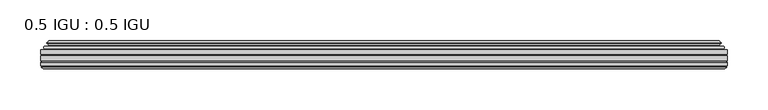
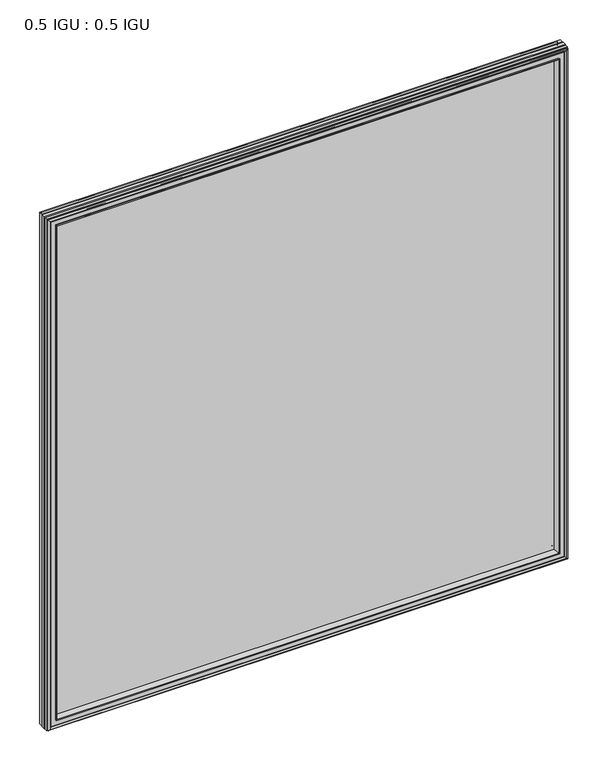
"""IFC4 building model written with IfcOpenShell, lengths in millimetres: plate geometry, 0.5 IGU : 0.5 IGU."""

import ifcopenshell
import ifcopenshell.guid

model = None  # the IFC model being written
_history = None  # IfcOwnerHistory: only IFC2X3 demands one
_inside = {}  # id of a spatial element -> (the spatial element, [elements in it])
_under = {}  # id of a project, library or spatial element -> (it, [spatial elements below it])
_declared = {}  # id of a project -> (the project, [libraries it declares])
_typed = {}  # id of a type object -> (the type object, [elements of that type])
_made_of = {}  # id of a material, layer set ... -> (it, [elements and type objects made of it])


def new_model(schema):
    """Start an empty IFC model of exactly this schema.

    Asked for "IFC4X3", IfcOpenShell would pick the latest addendum, in which some entities
    have other attributes; the version numbers below select the first issue.
    IFC2X3 requires an IfcOwnerHistory on every rooted entity: one is made here for all.
    """
    global model, _history
    if schema == "IFC4X3":
        model = ifcopenshell.file(schema_version=(4, 3, 0, 0))
    else:
        model = ifcopenshell.file(schema=schema)
    _inside.clear()
    _under.clear()
    _declared.clear()
    _typed.clear()
    _made_of.clear()
    _history = None
    if model.schema == "IFC2X3":
        org = make("IfcOrganization", Name="unknown")
        user = make(
            "IfcPersonAndOrganization",
            ThePerson=make("IfcPerson", FamilyName="unknown"),
            TheOrganization=org,
        )
        app = make(
            "IfcApplication",
            ApplicationDeveloper=org,
            Version="unknown",
            ApplicationFullName="unknown",
            ApplicationIdentifier="unknown",
        )
        _history = make(
            "IfcOwnerHistory",
            OwningUser=user,
            OwningApplication=app,
            ChangeAction="ADDED",
            CreationDate=0,
        )
    return model


def make(cls, **values):
    """One entity of the class cls with the attributes given. An attribute that is None is left unset."""
    return model.create_entity(
        cls, **{name: value for name, value in values.items() if value is not None}
    )


def rooted(cls, **values):
    """An entity with a GlobalId (a new one), such as an element, a storey or a relation."""
    return make(cls, GlobalId=ifcopenshell.guid.new(), OwnerHistory=_history, **values)


def si_unit(unit_type, name, prefix=None):
    """IfcSIUnit, for example si_unit("LENGTHUNIT", "METRE", prefix="MILLI")."""
    return make("IfcSIUnit", UnitType=unit_type, Prefix=prefix, Name=name)


def assignment(units):
    """IfcUnitAssignment: the units of a project."""
    return None if units is None else make("IfcUnitAssignment", Units=units)


def point(xyz):
    """IfcCartesianPoint."""
    return None if xyz is None else make("IfcCartesianPoint", Coordinates=xyz)


def direction(xyz):
    """IfcDirection."""
    return None if xyz is None else make("IfcDirection", DirectionRatios=xyz)


def frame(location, z_axis=None, x_axis=None):
    """IfcAxis2Placement3D, a coordinate frame: its origin and axes. An axis left out is left unset."""
    return make(
        "IfcAxis2Placement3D",
        Location=point(location),
        Axis=direction(z_axis),
        RefDirection=direction(x_axis),
    )


def origin():
    """The frame at (0, 0, 0) with its axes left unset."""
    return frame((0.0, 0.0, 0.0))


def place(relative_to, where):
    """IfcLocalPlacement: puts the frame where relative to a parent placement (None: the world)."""
    return make(
        "IfcLocalPlacement", PlacementRelTo=relative_to, RelativePlacement=where
    )


def context(
    kind, dimensions, precision=None, world=None, true_north=None, identifier=None
):
    """IfcGeometricRepresentationContext, for example the 3D "Model" context."""
    return make(
        "IfcGeometricRepresentationContext",
        ContextIdentifier=identifier,
        ContextType=kind,
        CoordinateSpaceDimension=dimensions,
        Precision=precision,
        WorldCoordinateSystem=world,
        TrueNorth=true_north,
    )


def project(units=None, contexts=None):
    """IfcProject with its units and contexts."""
    return rooted(
        "IfcProject",
        Name="project",
        RepresentationContexts=contexts,
        UnitsInContext=assignment(units),
    )


def spatial(cls, under=None, at=None, **own):
    """A site, building, storey or space (cls), placed at a placement, below another one or the project."""
    s = rooted(cls, ObjectPlacement=at, **own)
    if under is not None:
        _under.setdefault(under.id(), (under, []))[1].append(s)
    return s


def polyline(points):
    """IfcPolyline through the points."""
    return make("IfcPolyline", Points=[point(p) for p in points])


def ellipse_curve(where, semi_axis1, semi_axis2):
    """IfcEllipse in the frame where."""
    return make(
        "IfcEllipse", Position=where, SemiAxis1=semi_axis1, SemiAxis2=semi_axis2
    )


def outline(outer, holes=None, kind="AREA"):
    """IfcArbitraryClosedProfileDef: a profile drawn as a closed curve; with holes, ...WithVoids."""
    if holes is None:
        return make("IfcArbitraryClosedProfileDef", ProfileType=kind, OuterCurve=outer)
    return make(
        "IfcArbitraryProfileDefWithVoids",
        ProfileType=kind,
        OuterCurve=outer,
        InnerCurves=holes,
    )


def extrude(swept, where, along, depth):
    """IfcExtrudedAreaSolid: the profile swept, set in the frame where, extruded along a direction by depth."""
    return make(
        "IfcExtrudedAreaSolid",
        SweptArea=swept,
        Position=where,
        ExtrudedDirection=direction(along),
        Depth=depth,
    )


def faces_of(points, faces, orient=None, outer=None):
    """IfcFace entities. A face is a list of loops; a loop is a list of indices into points, from 0.

    orient and outer hold one flag for each loop. By default every Orientation is true, the
    first loop of a face is its IfcFaceOuterBound and the others are IfcFaceBound.
    """
    made = []
    for i, loops in enumerate(faces):
        bounds = []
        for j, loop in enumerate(loops):
            is_outer = j == 0 if outer is None else outer[i][j]
            bounds.append(
                make(
                    "IfcFaceOuterBound" if is_outer else "IfcFaceBound",
                    Bound=make("IfcPolyLoop", Polygon=[points[k] for k in loop]),
                    Orientation=True if orient is None else orient[i][j],
                )
            )
        made.append(make("IfcFace", Bounds=bounds))
    return made


def faceted_brep(points, faces, orient=None, outer=None, voids=None):
    """IfcFacetedBrep: a solid bounded by flat faces; with voids (closed shells), ...WithVoids."""
    shared = [point(p) for p in points]
    hull = make("IfcClosedShell", CfsFaces=faces_of(shared, faces, orient, outer))
    if voids is None:
        return make("IfcFacetedBrep", Outer=hull)
    return make(
        "IfcFacetedBrepWithVoids",
        Outer=hull,
        Voids=[
            make(cls, CfsFaces=faces_of(shared, fs, o, b)) for cls, fs, o, b in voids
        ],
    )


def shape(context_of_items, identifier, shape_type, items):
    """IfcShapeRepresentation: the items that make up one representation, for example the "Body"."""
    return make(
        "IfcShapeRepresentation",
        ContextOfItems=context_of_items,
        RepresentationIdentifier=identifier,
        RepresentationType=shape_type,
        Items=items,
    )


def source(mapping_origin, context_of_items, identifier, shape_type, items):
    """IfcRepresentationMap: a shape defined once, which mapped items show again and again."""
    return make(
        "IfcRepresentationMap",
        MappingOrigin=mapping_origin,
        MappedRepresentation=shape(context_of_items, identifier, shape_type, items),
    )


def transform(
    local_origin,
    x_axis=None,
    y_axis=None,
    z_axis=None,
    scale=None,
    scale2=None,
    scale3=None,
    uniform=True,
):
    """IfcCartesianTransformationOperator3D, or its non-uniform kind. x_axis, y_axis, z_axis: its Axis1, 2, 3."""
    if uniform:
        return make(
            "IfcCartesianTransformationOperator3D",
            Axis1=direction(x_axis),
            Axis2=direction(y_axis),
            LocalOrigin=point(local_origin),
            Scale=scale,
            Axis3=direction(z_axis),
        )
    return make(
        "IfcCartesianTransformationOperator3DnonUniform",
        Axis1=direction(x_axis),
        Axis2=direction(y_axis),
        LocalOrigin=point(local_origin),
        Scale=scale,
        Axis3=direction(z_axis),
        Scale2=scale2,
        Scale3=scale3,
    )


def mapped(mapping_source, mapping_target):
    """IfcMappedItem: shows the shape of a source again, moved by a transform."""
    return make(
        "IfcMappedItem", MappingSource=mapping_source, MappingTarget=mapping_target
    )


def made_of(thing, what):
    """Note that an element or type object is made of a material, layer set ...; save() writes the relation."""
    if what is not None:
        _made_of.setdefault(what.id(), (what, []))[1].append(thing)
    return thing


def element(
    cls,
    number,
    at=None,
    inside=None,
    cuts=None,
    type_object=None,
    material=None,
    context=None,
    identifier="Body",
    shape_type=None,
    held_by="IfcProductDefinitionShape",
    body=None,
    shapes=None,
    **own,
):
    """One element of the class cls, such as IfcWall. Its Tag is "e" and its number.

    at: its placement. inside: the storey or other place that contains it. cuts: it is an
    opening in that element (IfcRelVoidsElement). A single representation is given by context,
    identifier, shape_type and body (its items); several are given by shapes. held_by: the class
    of the entity that holds the representations. save() writes the other relations.
    """
    e = rooted(cls, Tag="e%d" % number, ObjectPlacement=at, **own)
    if body is not None:
        shapes = [shape(context, identifier, shape_type, body)]
    if shapes is not None:
        e.Representation = make(held_by, Representations=shapes)
    if inside is not None:
        _inside.setdefault(inside.id(), (inside, []))[1].append(e)
    if cuts is not None:
        rooted(
            "IfcRelVoidsElement", RelatingBuildingElement=cuts, RelatedOpeningElement=e
        )
    if type_object is not None:
        _typed.setdefault(type_object.id(), (type_object, []))[1].append(e)
    return made_of(e, material)


def aggregate(whole, parts):
    """IfcRelAggregates: a whole, such as a stair, and the parts it consists of."""
    return rooted("IfcRelAggregates", RelatingObject=whole, RelatedObjects=parts)


def save(model, path):
    """Write the relations noted so far, then the file.

    IfcRelAggregates (storeys below a building ...), IfcRelContainedInSpatialStructure (elements
    in a storey), IfcRelDefinesByType, IfcRelAssociatesMaterial and IfcRelDeclares: one each for
    every whole, place, type object, material and project.
    """
    for whole, parts in _under.values():
        aggregate(whole, parts)
    for where, things in _inside.values():
        rooted(
            "IfcRelContainedInSpatialStructure",
            RelatedElements=things,
            RelatingStructure=where,
        )
    for kind, things in _typed.values():
        rooted("IfcRelDefinesByType", RelatedObjects=things, RelatingType=kind)
    for what, things in _made_of.values():
        rooted("IfcRelAssociatesMaterial", RelatedObjects=things, RelatingMaterial=what)
    for by, libraries in _declared.values():
        rooted("IfcRelDeclares", RelatingContext=by, RelatedDefinitions=libraries)
    model.write(path)


def plane_surface(at):
    """IfcPlane: the flat surface through the origin of the frame at, square to its z axis."""
    return make("IfcPlane", Position=at)


def cylinder_surface(at, radius):
    """IfcCylindricalSurface: all points at the distance radius from the z axis of the frame at."""
    return make("IfcCylindricalSurface", Position=at, Radius=radius)


def revolved_surface(curve, axis_point, axis_direction):
    """IfcSurfaceOfRevolution: the curve turned about the line through axis_point along axis_direction."""
    return make(
        "IfcSurfaceOfRevolution",
        SweptCurve=make("IfcArbitraryOpenProfileDef", ProfileType="CURVE", Curve=curve),
        AxisPosition=make("IfcAxis1Placement", Location=point(axis_point), Axis=direction(axis_direction)),
    )


def advanced_brep(points, edges, surfaces, faces):
    """IfcAdvancedBrep: a solid bounded by faces that lie on surfaces and meet in shared edges.

    An edge is (start, end): straight between two places in points (the first is 0);
    or (start, end, curve); or (start, end, curve, False) where it runs against its curve.
    A face is (place in surfaces, loops), or (place, loops, False) where it looks against
    its surface's normal. A loop lists edges by number (the first is 1), with a minus sign
    where the edge is run from its end to its start. The first loop is the outer one.
    """
    corners = [point(p) for p in points]
    vertices = [make("IfcVertexPoint", VertexGeometry=c) for c in corners]
    made = []
    for start, end, *more in edges:
        made.append(
            make(
                "IfcEdgeCurve",
                EdgeStart=vertices[start],
                EdgeEnd=vertices[end],
                EdgeGeometry=more[0] if more else make("IfcPolyline", Points=[corners[start], corners[end]]),
                SameSense=more[1] if len(more) > 1 else True,
            )
        )
    hull = []
    for where, loops, *sense in faces:
        bounds = []
        for j, loop in enumerate(loops):
            ring = [make("IfcOrientedEdge", EdgeElement=made[abs(k) - 1], Orientation=k > 0) for k in loop]
            bounds.append(
                make(
                    "IfcFaceOuterBound" if j == 0 else "IfcFaceBound",
                    Bound=make("IfcEdgeLoop", EdgeList=ring),
                    Orientation=True,
                )
            )
        hull.append(make("IfcAdvancedFace", Bounds=bounds, FaceSurface=surfaces[where], SameSense=sense[0] if sense else True))
    return make("IfcAdvancedBrep", Outer=make("IfcClosedShell", CfsFaces=hull))


def plate_0_5_igu_0_5_igu_c5b5d596(model_context):
    return source(origin(), model_context, "Body", "SolidModel", [
        extrude(outline(polyline([(420.701675, -55.82285), (420.701675, -61.48705), (-420.6875, -61.48705), (-420.6875, -55.82285), (420.701675, -55.82285)])), frame((0.0, 0.0, -14.2875), z_axis=(0.0, 0.0, 1.0), x_axis=(1.0, 0.0, 0.0)), (0.0, 0.0, 1.0), 873.1287979),
        extrude(outline(polyline([(-420.6875, -69.05625), (-420.6875, -63.39205), (420.701675, -63.39205), (420.701675, -69.05625), (-420.6875, -69.05625)])), frame((0.0, 0.0, -14.2875), z_axis=(0.0, 0.0, 1.0), x_axis=(1.0, 0.0, 0.0)), (0.0, 0.0, 1.0), 873.1287979),
        advanced_brep(
        [(-416.5849626, -54.3724927, 854.7349626), (-415.5404378, -51.60645, 853.6904378), (-415.5404378, -51.60645, -9.1404378), (-416.5849626, -54.3724927, -10.1849626), (-414.948517, -55.82285, 853.098517), (-414.948517, -55.82285, -8.548517), (-406.4, -45.63745, 844.55), (-402.8172761, -55.82285, 840.9672761), (-402.8172761, -55.82285, 3.5827239), (-406.4, -45.63745, 0.0), (-411.5859109, -46.8185491, 849.7359109), (-411.5859109, -46.8185491, -5.1859109), (-410.7888893, -44.8183085, 848.9388893), (-410.7888893, -44.8183085, -4.3888893), (-413.0726111, -47.135817, 851.2226111), (-413.0726111, -47.135817, -6.6726111), (-413.0726111, -47.8489429, 851.2226111), (-413.0726111, -47.8489429, -6.6726111), (-410.7888893, -50.1664515, 848.9388893), (-410.7888893, -50.1664515, -4.3888893), (-411.5782501, -48.1854367, 849.7282501), (-411.5782501, -48.1854367, -5.1782501), (-409.0544379, -48.027045, 847.2044379), (-409.0544379, -48.027045, -2.6544379), (-408.0286217, -48.7147544, 846.1786217), (-408.0286217, -48.7147544, -1.6286217), (-408.1470288, -50.1092231, 846.2970288), (-408.1470288, -50.1092231, -1.7470288), (-408.7487748, -51.60645, 846.8987748), (-408.7487748, -51.60645, -2.3487748), (415.5404378, -51.60645, -9.1404378), (416.5849626, -54.3724927, -10.1849626), (414.948517, -55.82285, -8.548517), (402.8172761, -55.82285, 3.5827239), (406.4, -45.63745, 0.0), (411.5859109, -46.8185491, -5.1859109), (410.7888893, -44.8183085, -4.3888893), (413.0726111, -47.135817, -6.6726111), (413.0726111, -47.8489429, -6.6726111), (410.7888893, -50.1664515, -4.3888893), (411.5782501, -48.1854367, -5.1782501), (409.0544379, -48.027045, -2.6544379), (408.0286217, -48.7147544, -1.6286217), (408.1470288, -50.1092231, -1.7470288), (408.7487748, -51.60645, -2.3487748), (415.5404378, -51.60645, 853.6904378), (416.5849626, -54.3724927, 854.7349626), (414.948517, -55.82285, 853.098517), (402.8172761, -55.82285, 840.9672761), (406.4, -45.63745, 844.55), (411.5859109, -46.8185491, 849.7359109), (410.7888893, -44.8183085, 848.9388893), (413.0726111, -47.135817, 851.2226111), (413.0726111, -47.8489429, 851.2226111), (410.7888893, -50.1664515, 848.9388893), (411.5782501, -48.1854367, 849.7282501), (409.0544379, -48.027045, 847.2044379), (408.0286217, -48.7147544, 846.1786217), (408.1470288, -50.1092231, 846.2970288), (408.7487748, -51.60645, 846.8987748)],
        [
            (0, 1, ellipse_curve(frame((-415.5320703, -53.1898501, 853.6820703), z_axis=(-0.7071067811865475, 0.0, -0.7071067811865475), x_axis=(-0.7071067811865474, 0.0, 0.7071067811865476)), 2.2392971, 1.5834222)),
            (1, 2),
            (2, 3, ellipse_curve(frame((-415.5320703, -53.1898501, -9.1320703), z_axis=(-0.7071067811865475, 0.0, 0.7071067811865475), x_axis=(0.7071067811865474, 0.0, 0.7071067811865476)), 2.2392971, 1.5834222)),
            (3, 0),
            (4, 0),
            (3, 5),
            (5, 4),
            (6, 7, ellipse_curve(frame((-374.120246, -40.0058297, 812.270246), z_axis=(0.7071067811865475, 0.0, 0.7071067811865475), x_axis=(0.7071067811865474, 0.0, -0.7071067811865476)), 46.3399971, 32.7673262)),
            (7, 8),
            (8, 9, ellipse_curve(frame((-374.120246, -40.0058297, 32.279754), z_axis=(0.7071067811865475, 0.0, -0.7071067811865475), x_axis=(-0.7071067811865474, 0.0, -0.7071067811865476)), 46.3399971, 32.7673262)),
            (9, 6),
            (10, 6),
            (9, 11),
            (11, 10),
            (12, 10),
            (11, 13),
            (13, 12),
            (14, 12),
            (13, 15),
            (15, 14),
            (16, 14, ellipse_curve(frame((-412.7107729, -47.49238, 850.8607729), z_axis=(-0.7071067811865475, 0.0, -0.7071067811865475), x_axis=(-0.7071067811865474, 0.0, 0.7071067811865476)), 0.7184205, 0.508)),
            (15, 17, ellipse_curve(frame((-412.7107729, -47.49238, -6.3107729), z_axis=(-0.7071067811865475, 0.0, 0.7071067811865475), x_axis=(0.7071067811865474, 0.0, 0.7071067811865476)), 0.7184205, 0.508)),
            (17, 16),
            (18, 16),
            (17, 19),
            (19, 18),
            (20, 18),
            (19, 21),
            (21, 20),
            (22, 20),
            (21, 23),
            (23, 22),
            (24, 22, ellipse_curve(frame((-408.9908, -49.04105, 847.1408), z_axis=(0.7071067811865475, 0.0, 0.7071067811865475), x_axis=(0.7071067811865474, 0.0, -0.7071067811865476)), 1.436841, 1.016)),
            (23, 25, ellipse_curve(frame((-408.9908, -49.04105, -2.5908), z_axis=(0.7071067811865475, 0.0, -0.7071067811865475), x_axis=(-0.7071067811865474, 0.0, -0.7071067811865476)), 1.436841, 1.016)),
            (25, 24),
            (26, 24, ellipse_curve(frame((-410.3624, -49.21885, 848.5124), z_axis=(0.7071067811865475, 0.0, 0.7071067811865475), x_axis=(0.7071067811865474, 0.0, -0.7071067811865476)), 3.3765763, 2.3876)),
            (25, 27, ellipse_curve(frame((-410.3624, -49.21885, -3.9624), z_axis=(0.7071067811865475, 0.0, -0.7071067811865475), x_axis=(-0.7071067811865474, 0.0, -0.7071067811865476)), 3.3765763, 2.3876)),
            (27, 26),
            (28, 26),
            (27, 29),
            (29, 28),
            (2, 30),
            (30, 31, ellipse_curve(frame((415.5320703, -53.1898501, -9.1320703), z_axis=(-0.7071067811865475, 0.0, -0.7071067811865475), x_axis=(-0.7071067811865476, 0.0, 0.7071067811865474)), 2.2392971, 1.5834222)),
            (31, 3),
            (31, 32),
            (32, 5),
            (8, 33),
            (33, 34, ellipse_curve(frame((374.120246, -40.0058297, 32.279754), z_axis=(0.7071067811865475, 0.0, 0.7071067811865475), x_axis=(0.7071067811865476, 0.0, -0.7071067811865474)), 46.3399971, 32.7673262)),
            (34, 9),
            (34, 35),
            (35, 11),
            (35, 36),
            (36, 13),
            (36, 37),
            (37, 15),
            (37, 38, ellipse_curve(frame((412.7107729, -47.49238, -6.3107729), z_axis=(-0.7071067811865475, 0.0, -0.7071067811865475), x_axis=(-0.7071067811865476, 0.0, 0.7071067811865474)), 0.7184205, 0.508)),
            (38, 17),
            (38, 39),
            (39, 19),
            (39, 40),
            (40, 21),
            (40, 41),
            (41, 23),
            (41, 42, ellipse_curve(frame((408.9908, -49.04105, -2.5908), z_axis=(0.7071067811865475, 0.0, 0.7071067811865475), x_axis=(0.7071067811865476, 0.0, -0.7071067811865474)), 1.436841, 1.016)),
            (42, 25),
            (42, 43, ellipse_curve(frame((410.3624, -49.21885, -3.9624), z_axis=(0.7071067811865475, 0.0, 0.7071067811865475), x_axis=(0.7071067811865476, 0.0, -0.7071067811865474)), 3.3765763, 2.3876)),
            (43, 27),
            (43, 44),
            (44, 29),
            (30, 45),
            (45, 46, ellipse_curve(frame((415.5320703, -53.1898501, 853.6820703), z_axis=(0.7071067811865475, 0.0, -0.7071067811865475), x_axis=(-0.7071067811865474, 0.0, -0.7071067811865476)), 2.2392971, 1.5834222)),
            (46, 31),
            (46, 47),
            (47, 32),
            (33, 48),
            (48, 49, ellipse_curve(frame((374.120246, -40.0058297, 812.270246), z_axis=(-0.7071067811865475, 0.0, 0.7071067811865475), x_axis=(0.7071067811865474, 0.0, 0.7071067811865476)), 46.3399971, 32.7673262)),
            (49, 34),
            (49, 50),
            (50, 35),
            (50, 51),
            (51, 36),
            (51, 52),
            (52, 37),
            (52, 53, ellipse_curve(frame((412.7107729, -47.49238, 850.8607729), z_axis=(0.7071067811865475, 0.0, -0.7071067811865475), x_axis=(-0.7071067811865474, 0.0, -0.7071067811865476)), 0.7184205, 0.508)),
            (53, 38),
            (53, 54),
            (54, 39),
            (54, 55),
            (55, 40),
            (55, 56),
            (56, 41),
            (56, 57, ellipse_curve(frame((408.9908, -49.04105, 847.1408), z_axis=(-0.7071067811865475, 0.0, 0.7071067811865475), x_axis=(0.7071067811865474, 0.0, 0.7071067811865476)), 1.436841, 1.016)),
            (57, 42),
            (57, 58, ellipse_curve(frame((410.3624, -49.21885, 848.5124), z_axis=(-0.7071067811865475, 0.0, 0.7071067811865475), x_axis=(0.7071067811865474, 0.0, 0.7071067811865476)), 3.3765763, 2.3876)),
            (58, 43),
            (58, 59),
            (59, 44),
            (45, 1),
            (0, 46),
            (4, 47),
            (7, 48),
            (6, 49),
            (10, 50),
            (12, 51),
            (14, 52),
            (16, 53),
            (18, 54),
            (20, 55),
            (22, 56),
            (24, 57),
            (26, 58),
            (28, 59),
        ],
        [
            cylinder_surface(frame((-415.5320703, -53.1898501, 876.3), z_axis=(0.0, 0.0, 1.0), x_axis=(-1.0, 0.0, 0.0)), 1.5834222),
            plane_surface(frame((-416.5849626, -54.3724927, 854.7349626), z_axis=(-0.6632745773184306, -0.7483761320907135, 0.0), x_axis=(0.0, 0.0, -1.0))),
            revolved_surface(polyline([(-406.8875722, -40.0058297, -0.48757218957496207), (-406.8875722, -40.0058297, 845.037572189575)]), (-374.120246, -40.0058297, 876.3), (0.0, 0.0, -1.0)),
            plane_surface(frame((-406.4, -45.63745, 844.55), z_axis=(-0.2220649844278743, 0.975031867525902, 0.0), x_axis=(0.0, 0.0, -1.0))),
            plane_surface(frame((-411.5859109, -46.8185491, 849.7359109), z_axis=(0.928968268563027, -0.37015936568323066, 0.0), x_axis=(0.0, 0.0, -1.0))),
            plane_surface(frame((-410.7888893, -44.8183085, 848.9388893), z_axis=(-0.7122798501733482, 0.7018955869907096, 0.0), x_axis=(0.0, 0.0, -1.0))),
            cylinder_surface(frame((-412.7107729, -47.49238, 876.3), z_axis=(0.0, 0.0, 1.0), x_axis=(-1.0, 0.0, 0.0)), 0.508),
            plane_surface(frame((-413.0726111, -47.8489429, 851.2226111), z_axis=(-0.7122798501732925, -0.701895586990766, 0.0), x_axis=(0.0, 0.0, -1.0))),
            plane_surface(frame((-410.7888893, -50.1664515, 848.9388893), z_axis=(0.9289682685628707, 0.3701593656836228, 0.0), x_axis=(0.0, 0.0, -1.0))),
            plane_surface(frame((-411.5782501, -48.1854367, 849.7282501), z_axis=(0.0626357011928498, -0.9980364567169279, 0.0), x_axis=(0.0, 0.0, -1.0))),
            revolved_surface(polyline([(-410.0068, -49.04105, -3.606800014586838), (-410.0068, -49.04105, 848.1568000145869)]), (-408.9908, -49.04105, 876.3), (0.0, 0.0, -1.0)),
            revolved_surface(polyline([(-412.75, -49.21885, -6.3499999989237494), (-412.75, -49.21885, 850.8999999989237)]), (-410.3624, -49.21885, 876.3), (0.0, 0.0, -1.0)),
            plane_surface(frame((-408.1470288, -50.1092231, 846.2970288), z_axis=(-0.9278652925428184, 0.3729155385532094, 0.0), x_axis=(0.0, 0.0, -1.0))),
            cylinder_surface(frame((-438.15, -53.1898501, -9.1320703), z_axis=(-1.0, 0.0, 0.0), x_axis=(0.0, 0.0, -1.0)), 1.5834222),
            plane_surface(frame((-416.5849626, -54.3724927, -10.1849626), z_axis=(0.0, -0.7483761320907157, -0.6632745773184283), x_axis=(1.0, 0.0, 0.0))),
            revolved_surface(polyline([(406.88757218957505, -40.0058297, -0.48757220000000245), (-406.88757218957494, -40.0058297, -0.48757220000000245)]), (-438.15, -40.0058297, 32.279754), (1.0, 0.0, 0.0)),
            plane_surface(frame((-406.4, -45.63745, 0.0), z_axis=(0.0, 0.9750318675259013, -0.22206498442787745), x_axis=(1.0, 0.0, 0.0))),
            plane_surface(frame((-411.5859109, -46.8185491, -5.1859109), z_axis=(0.0, -0.37015936568322766, 0.9289682685630283), x_axis=(1.0, 0.0, 0.0))),
            plane_surface(frame((-410.7888893, -44.8183085, -4.3888893), z_axis=(0.0, 0.7018955869907073, -0.7122798501733504), x_axis=(1.0, 0.0, 0.0))),
            cylinder_surface(frame((-438.15, -47.49238, -6.3107729), z_axis=(-1.0, 0.0, 0.0), x_axis=(0.0, 0.0, -1.0)), 0.508),
            plane_surface(frame((-413.0726111, -47.8489429, -6.6726111), z_axis=(0.0, -0.7018955869907684, -0.7122798501732903), x_axis=(1.0, 0.0, 0.0))),
            plane_surface(frame((-410.7888893, -50.1664515, -4.3888893), z_axis=(0.0, 0.37015936568362584, 0.9289682685628696), x_axis=(1.0, 0.0, 0.0))),
            plane_surface(frame((-411.5782501, -48.1854367, -5.1782501), z_axis=(0.0, -0.9980364567169276, 0.06263570119285301), x_axis=(1.0, 0.0, 0.0))),
            revolved_surface(polyline([(410.0068000145868, -49.04105, -3.6068000000000002), (-410.0068000145868, -49.04105, -3.6068000000000002)]), (-438.15, -49.04105, -2.5908), (1.0, 0.0, 0.0)),
            revolved_surface(polyline([(412.7499999989237, -49.21885, -6.35), (-412.7499999989238, -49.21885, -6.35)]), (-438.15, -49.21885, -3.9624), (1.0, 0.0, 0.0)),
            plane_surface(frame((-408.1470288, -50.1092231, -1.7470288), z_axis=(0.0, 0.3729155385532064, -0.9278652925428196), x_axis=(1.0, 0.0, 0.0))),
            cylinder_surface(frame((415.5320703, -53.1898501, -31.75), z_axis=(0.0, 0.0, -1.0), x_axis=(1.0, 0.0, 0.0)), 1.5834222),
            plane_surface(frame((416.5849626, -54.3724927, -10.1849626), z_axis=(0.6632745773184259, -0.7483761320907178, 0.0), x_axis=(0.0, 0.0, 1.0))),
            revolved_surface(polyline([(406.8875722, -40.0058297, 845.037572189575), (406.8875722, -40.0058297, -0.48757218957494075)]), (374.120246, -40.0058297, -31.75), (0.0, 0.0, 1.0)),
            plane_surface(frame((406.4, -45.63745, 0.0), z_axis=(0.22206498442788056, 0.9750318675259005, 0.0), x_axis=(0.0, 0.0, 1.0))),
            plane_surface(frame((411.5859109, -46.8185491, -5.1859109), z_axis=(-0.9289682685630295, -0.37015936568322466, 0.0), x_axis=(0.0, 0.0, 1.0))),
            plane_surface(frame((410.7888893, -44.8183085, -4.3888893), z_axis=(0.7122798501733526, 0.701895586990705, 0.0), x_axis=(0.0, 0.0, 1.0))),
            cylinder_surface(frame((412.7107729, -47.49238, -31.75), z_axis=(0.0, 0.0, -1.0), x_axis=(1.0, 0.0, 0.0)), 0.508),
            plane_surface(frame((413.0726111, -47.8489429, -6.6726111), z_axis=(0.712279850173288, -0.7018955869907706, 0.0), x_axis=(0.0, 0.0, 1.0))),
            plane_surface(frame((410.7888893, -50.1664515, -4.3888893), z_axis=(-0.9289682685628684, 0.37015936568362884, 0.0), x_axis=(0.0, 0.0, 1.0))),
            plane_surface(frame((411.5782501, -48.1854367, -5.1782501), z_axis=(-0.06263570119285623, -0.9980364567169274, 0.0), x_axis=(0.0, 0.0, 1.0))),
            revolved_surface(polyline([(410.0068, -49.04105, 848.1568000145869), (410.0068, -49.04105, -3.606800014586863)]), (408.9908, -49.04105, -31.75), (0.0, 0.0, 1.0)),
            revolved_surface(polyline([(412.75, -49.21885, 850.8999999989237), (412.75, -49.21885, -6.349999998923781)]), (410.3624, -49.21885, -31.75), (0.0, 0.0, 1.0)),
            plane_surface(frame((408.1470288, -50.1092231, -1.7470288), z_axis=(0.9278652925428208, 0.3729155385532034, 0.0), x_axis=(0.0, 0.0, 1.0))),
            cylinder_surface(frame((438.15, -53.1898501, 853.6820703), z_axis=(1.0, 0.0, 0.0), x_axis=(0.0, 0.0, 1.0)), 1.5834222),
            plane_surface(frame((416.5849626, -54.3724927, 854.7349626), z_axis=(0.0, -0.7483761320907157, 0.6632745773184283), x_axis=(-1.0, 0.0, 0.0))),
            plane_surface(frame((414.948517, -55.82285, 853.098517), z_axis=(0.0, -1.0, 0.0), x_axis=(-1.0, 0.0, 0.0))),
            revolved_surface(polyline([(-406.88757218957505, -40.0058297, 845.0375722), (406.88757218957494, -40.0058297, 845.0375722)]), (438.15, -40.0058297, 812.270246), (-1.0, 0.0, 0.0)),
            plane_surface(frame((406.4, -45.63745, 844.55), z_axis=(0.0, 0.9750318675259012, 0.22206498442787742), x_axis=(-1.0, 0.0, 0.0))),
            plane_surface(frame((411.5859109, -46.8185491, 849.7359109), z_axis=(0.0, -0.37015936568322766, -0.9289682685630283), x_axis=(-1.0, 0.0, 0.0))),
            plane_surface(frame((410.7888893, -44.8183085, 848.9388893), z_axis=(0.0, 0.7018955869907073, 0.7122798501733504), x_axis=(-1.0, 0.0, 0.0))),
            cylinder_surface(frame((438.15, -47.49238, 850.8607729), z_axis=(1.0, 0.0, 0.0), x_axis=(0.0, 0.0, 1.0)), 0.508),
            plane_surface(frame((413.0726111, -47.8489429, 851.2226111), z_axis=(0.0, -0.7018955869907684, 0.7122798501732903), x_axis=(-1.0, 0.0, 0.0))),
            plane_surface(frame((410.7888893, -50.1664515, 848.9388893), z_axis=(0.0, 0.37015936568362584, -0.9289682685628696), x_axis=(-1.0, 0.0, 0.0))),
            plane_surface(frame((411.5782501, -48.1854367, 849.7282501), z_axis=(0.0, -0.9980364567169276, -0.06263570119285301), x_axis=(-1.0, 0.0, 0.0))),
            revolved_surface(polyline([(-410.0068000145868, -49.04105, 848.1568), (410.0068000145868, -49.04105, 848.1568)]), (438.15, -49.04105, 847.1408), (-1.0, 0.0, 0.0)),
            revolved_surface(polyline([(-412.7499999989237, -49.21885, 850.9), (412.7499999989238, -49.21885, 850.9)]), (438.15, -49.21885, 848.5124), (-1.0, 0.0, 0.0)),
            plane_surface(frame((408.1470288, -50.1092231, 846.2970288), z_axis=(0.0, 0.3729155385532064, 0.9278652925428196), x_axis=(-1.0, 0.0, 0.0))),
            plane_surface(frame((408.7487748, -51.60645, 846.8987748), z_axis=(0.0, 1.0, 0.0), x_axis=(-1.0, 0.0, 0.0))),
        ],
        [
            (0, [[1, 2, 3, 4]]),
            (1, [[5, -4, 6, 7]]),
            (2, [[8, 9, 10, 11]]),
            (3, [[12, -11, 13, 14]]),
            (4, [[15, -14, 16, 17]]),
            (5, [[18, -17, 19, 20]]),
            (6, [[21, -20, 22, 23]]),
            (7, [[24, -23, 25, 26]]),
            (8, [[27, -26, 28, 29]]),
            (9, [[30, -29, 31, 32]]),
            (10, [[33, -32, 34, 35]]),
            (11, [[36, -35, 37, 38]]),
            (12, [[39, -38, 40, 41]]),
            (13, [[-3, 42, 43, 44]]),
            (14, [[-6, -44, 45, 46]]),
            (15, [[-10, 47, 48, 49]]),
            (16, [[-13, -49, 50, 51]]),
            (17, [[-16, -51, 52, 53]]),
            (18, [[-19, -53, 54, 55]]),
            (19, [[-22, -55, 56, 57]]),
            (20, [[-25, -57, 58, 59]]),
            (21, [[-28, -59, 60, 61]]),
            (22, [[-31, -61, 62, 63]]),
            (23, [[-34, -63, 64, 65]]),
            (24, [[-37, -65, 66, 67]]),
            (25, [[-40, -67, 68, 69]]),
            (26, [[-43, 70, 71, 72]]),
            (27, [[-45, -72, 73, 74]]),
            (28, [[-48, 75, 76, 77]]),
            (29, [[-50, -77, 78, 79]]),
            (30, [[-52, -79, 80, 81]]),
            (31, [[-54, -81, 82, 83]]),
            (32, [[-56, -83, 84, 85]]),
            (33, [[-58, -85, 86, 87]]),
            (34, [[-60, -87, 88, 89]]),
            (35, [[-62, -89, 90, 91]]),
            (36, [[-64, -91, 92, 93]]),
            (37, [[-66, -93, 94, 95]]),
            (38, [[-68, -95, 96, 97]]),
            (39, [[-71, 98, -1, 99]]),
            (40, [[-73, -99, -5, 100]]),
            (41, [[-46, -74, -100, -7], [101, -75, -47, -9]]),
            (42, [[-76, -101, -8, 102]]),
            (43, [[-78, -102, -12, 103]]),
            (44, [[-80, -103, -15, 104]]),
            (45, [[-82, -104, -18, 105]]),
            (46, [[-84, -105, -21, 106]]),
            (47, [[-86, -106, -24, 107]]),
            (48, [[-88, -107, -27, 108]]),
            (49, [[-90, -108, -30, 109]]),
            (50, [[-92, -109, -33, 110]]),
            (51, [[-94, -110, -36, 111]]),
            (52, [[-96, -111, -39, 112]]),
            (53, [[-98, -70, -42, -2], [-69, -97, -112, -41]]),
        ],
    ),
        faceted_brep([(-402.5457827, -69.05625, 840.6957827), (-405.1120798, -77.94625, 843.2620798), (-405.1120798, -77.94625, 1.2879202), (-402.5457827, -69.05625, 3.8542173), (-420.7002, -71.2633102, 858.8502), (-418.4931398, -69.05625, 856.6431398), (-418.4931398, -69.05625, -12.0931398), (-420.7002, -71.2633102, -14.3002), (-420.7002, -75.40625, 858.8502), (-420.7002, -75.40625, -14.3002), (-418.2811775, -76.58989, 856.4311775), (-419.1508, -75.40625, 857.3008), (-419.1508, -75.40625, -12.7508), (-418.2811775, -76.58989, -11.8811775), (-418.084, -77.8875884, 856.234), (-418.084, -77.8875884, -11.684), (-419.05966, -77.3578917, 857.20966), (-419.05966, -77.3578917, -12.65966), (-417.5252, -79.1749663, 855.6752), (-419.8523305, -77.3578917, 858.0023305), (-419.8523305, -77.3578917, -13.4523305), (-417.5252, -79.1749663, -11.1252), (-415.1980695, -77.3578917, 853.3480695), (-415.1980695, -77.3578917, -8.7980695), (-416.9664, -77.8875884, 855.1164), (-415.99074, -77.3578917, 854.14074), (-415.99074, -77.3578917, -9.59074), (-416.9664, -77.8875884, -10.5664), (-416.7692225, -76.58989, 854.9192225), (-416.7692225, -76.58989, -10.3692225), (-415.8996, -75.40625, 854.0496), (-415.8996, -75.40625, -9.4996), (-406.7513667, -77.94625, 844.9013667), (-406.2222, -75.40625, 844.3722), (-406.2222, -75.40625, 0.1778), (-406.7513667, -77.94625, -0.3513667), (405.1120798, -77.94625, 1.2879202), (402.5457827, -69.05625, 3.8542173), (418.4931398, -69.05625, -12.0931398), (420.7002, -71.2633102, -14.3002), (420.7002, -75.40625, -14.3002), (419.1508, -75.40625, -12.7508), (418.2811775, -76.58989, -11.8811775), (418.084, -77.8875884, -11.684), (419.05966, -77.3578917, -12.65966), (419.8523305, -77.3578917, -13.4523305), (417.5252, -79.1749663, -11.1252), (415.1980695, -77.3578917, -8.7980695), (415.99074, -77.3578917, -9.59074), (416.9664, -77.8875884, -10.5664), (416.7692225, -76.58989, -10.3692225), (415.8996, -75.40625, -9.4996), (406.2222, -75.40625, 0.1778), (406.7513667, -77.94625, -0.3513667), (405.1120798, -77.94625, 843.2620798), (402.5457827, -69.05625, 840.6957827), (418.4931398, -69.05625, 856.6431398), (420.7002, -71.2633102, 858.8502), (420.7002, -75.40625, 858.8502), (419.1508, -75.40625, 857.3008), (418.2811775, -76.58989, 856.4311775), (418.084, -77.8875884, 856.234), (419.05966, -77.3578917, 857.20966), (419.8523305, -77.3578917, 858.0023305), (417.5252, -79.1749663, 855.6752), (415.1980695, -77.3578917, 853.3480695), (415.99074, -77.3578917, 854.14074), (416.9664, -77.8875884, 855.1164), (416.7692225, -76.58989, 854.9192225), (415.8996, -75.40625, 854.0496), (406.2222, -75.40625, 844.3722), (406.7513667, -77.94625, 844.9013667)], [[[0, 1, 2, 3]], [[4, 5, 6, 7]], [[8, 4, 7, 9]], [[10, 11, 12, 13]], [[14, 10, 13, 15]], [[16, 14, 15, 17]], [[18, 19, 20, 21]], [[22, 18, 21, 23]], [[24, 25, 26, 27]], [[28, 24, 27, 29]], [[30, 28, 29, 31]], [[32, 33, 34, 35]], [[3, 2, 36, 37]], [[7, 6, 38, 39]], [[9, 7, 39, 40]], [[13, 12, 41, 42]], [[15, 13, 42, 43]], [[17, 15, 43, 44]], [[21, 20, 45, 46]], [[23, 21, 46, 47]], [[27, 26, 48, 49]], [[29, 27, 49, 50]], [[31, 29, 50, 51]], [[35, 34, 52, 53]], [[37, 36, 54, 55]], [[39, 38, 56, 57]], [[40, 39, 57, 58]], [[42, 41, 59, 60]], [[43, 42, 60, 61]], [[44, 43, 61, 62]], [[46, 45, 63, 64]], [[47, 46, 64, 65]], [[49, 48, 66, 67]], [[50, 49, 67, 68]], [[51, 50, 68, 69]], [[53, 52, 70, 71]], [[55, 54, 1, 0]], [[5, 56, 38, 6], [3, 37, 55, 0]], [[57, 56, 5, 4]], [[58, 57, 4, 8]], [[9, 40, 58, 8], [11, 59, 41, 12]], [[60, 59, 11, 10]], [[61, 60, 10, 14]], [[62, 61, 14, 16]], [[19, 63, 45, 20], [17, 44, 62, 16]], [[64, 63, 19, 18]], [[65, 64, 18, 22]], [[25, 66, 48, 26], [23, 47, 65, 22]], [[67, 66, 25, 24]], [[68, 67, 24, 28]], [[69, 68, 28, 30]], [[31, 51, 69, 30], [33, 70, 52, 34]], [[71, 70, 33, 32]], [[35, 53, 71, 32], [1, 54, 36, 2]]]),
    ])


if __name__ == "__main__":
    model = new_model("IFC4")
    model_context = context("Model", 3, world=origin())
    ifc_project = project(units=[si_unit("LENGTHUNIT", "METRE", prefix="MILLI")], contexts=[model_context])
    site = spatial("IfcSite", under=ifc_project)
    building = spatial("IfcBuilding", under=site)
    placement = place(None, origin())
    plate_0_5_igu_0_5_igu_shape = plate_0_5_igu_0_5_igu_c5b5d596(model_context)
    element("IfcPlate", 1, ObjectType="0.5 IGU : 0.5 IGU", at=placement, inside=building, context=model_context, shape_type="MappedRepresentation", body=[
        mapped(plate_0_5_igu_0_5_igu_shape, transform((0.0, 0.0, 0.0), x_axis=(1.0, 0.0, 0.0), y_axis=(0.0, 1.0, 0.0), z_axis=(0.0, 0.0, 1.0))),
    ])
    save(model, "model.ifc")
